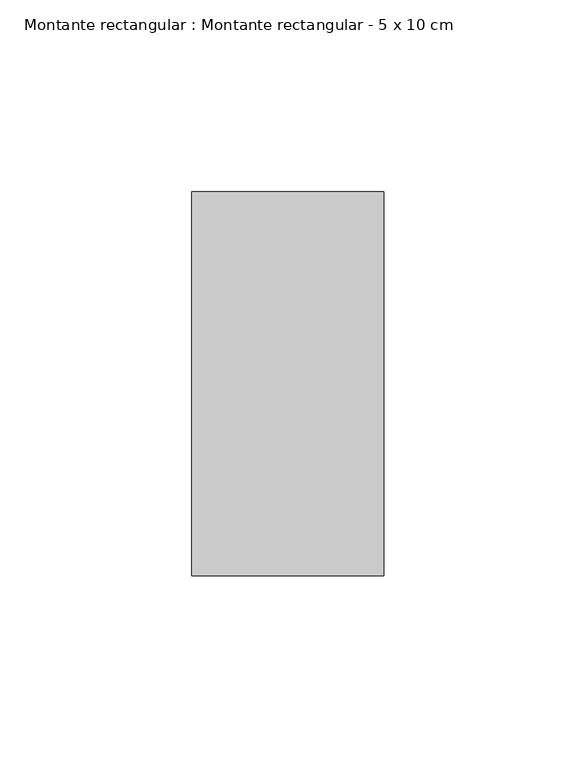
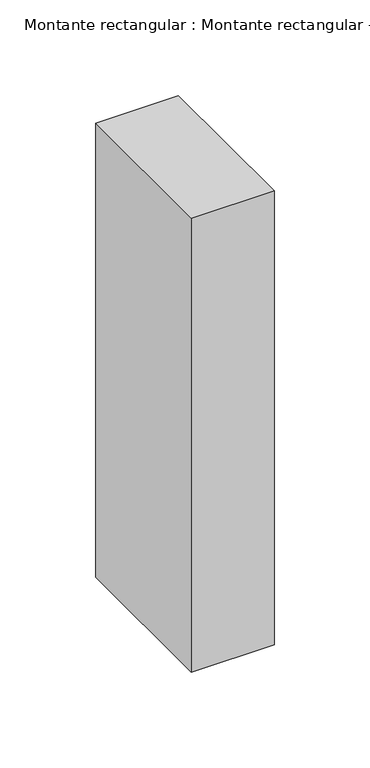
"""IFC4 building model written with IfcOpenShell, lengths in millimetres: member geometry, Montante rectangular : Montante rectangular - 5 x 10 cm."""

from ifc_helpers import new_model, si_unit, frame, origin, place, context, project, spatial, polyline, outline, extrude, source, transform, mapped, element, save


def montante_rectangular_montante_rectangular_5_x_10_cm_78458036(model_context):
    return source(origin(), model_context, "Body", "SweptSolid", [
        extrude(outline(polyline([(25.0, 50.0), (25.0, -50.0), (-25.0, -50.0), (-25.0, 50.0), (25.0, 50.0)])), frame((0.0, 0.0, -290.0), z_axis=(0.0, 0.0, 1.0), x_axis=(1.0, 0.0, 0.0)), (0.0, 0.0, 1.0), 290.0),
    ])


if __name__ == "__main__":
    model = new_model("IFC4")
    model_context = context("Model", 3, world=origin())
    ifc_project = project(units=[si_unit("LENGTHUNIT", "METRE", prefix="MILLI")], contexts=[model_context])
    site = spatial("IfcSite", under=ifc_project)
    building = spatial("IfcBuilding", under=site)
    placement = place(None, origin())
    montante_rectangular_montante_rectangular_5_x_10_cm_shape = montante_rectangular_montante_rectangular_5_x_10_cm_78458036(model_context)
    element("IfcMember", 1, ObjectType="Montante rectangular : Montante rectangular - 5 x 10 cm", at=placement, inside=building, context=model_context, shape_type="MappedRepresentation", body=[
        mapped(montante_rectangular_montante_rectangular_5_x_10_cm_shape, transform((0.0, 0.0, 0.0), x_axis=(1.0, 0.0, 0.0), y_axis=(0.0, 1.0, 0.0), z_axis=(0.0, 0.0, 1.0))),
    ])
    save(model, "model.ifc")
